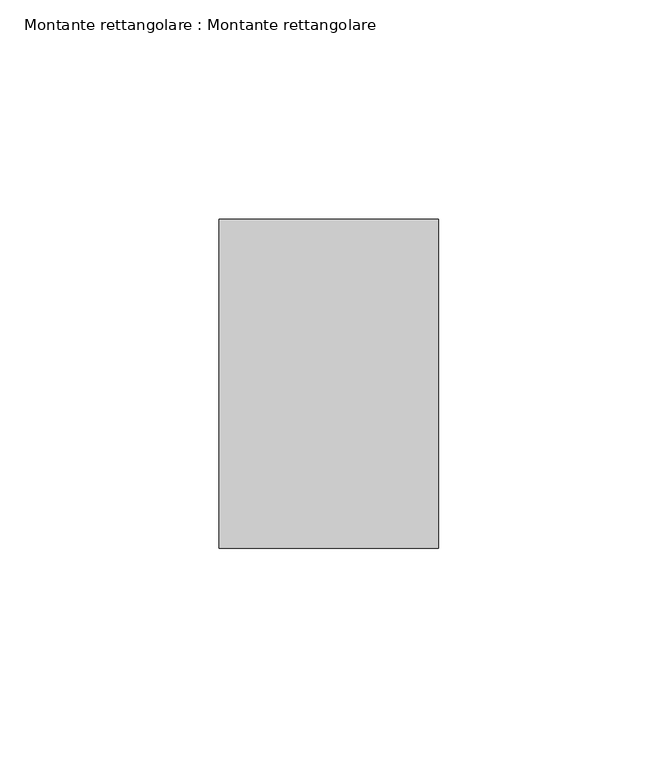
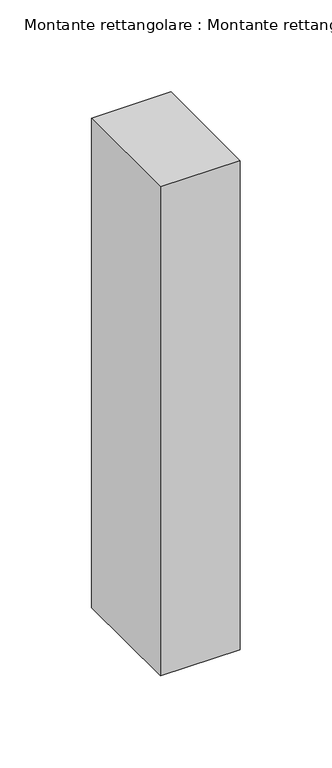
"""IFC4 building model written with IfcOpenShell, lengths in millimetres: member geometry, Montante rettangolare : Montante rettangolare."""

from ifc_helpers import new_model, si_unit, origin, place, context, project, spatial, faceted_brep, source, transform, mapped, element, save


def montante_rettangolare_montante_rettangolare_b0e8e461(model_context):
    return source(origin(), model_context, "Body", "Brep", [
        faceted_brep([(-50.0, 37.5, 0.0822962), (0.0, 37.5, 0.0822962), (0.0, 37.5, -325.182502), (-50.0, 37.5, -325.182502), (-50.0, -37.5, -0.0824168), (-50.0, -37.3901011, -325.0180303), (0.0, -37.5, -0.0824168), (0.0, -37.5, -325.017789)], [[[0, 1, 2, 3]], [[4, 0, 3, 5]], [[6, 4, 5, 7]], [[1, 6, 7, 2]], [[1, 0, 4, 6]], [[2, 7, 5, 3]]]),
    ])


if __name__ == "__main__":
    model = new_model("IFC4")
    model_context = context("Model", 3, world=origin())
    ifc_project = project(units=[si_unit("LENGTHUNIT", "METRE", prefix="MILLI")], contexts=[model_context])
    site = spatial("IfcSite", under=ifc_project)
    building = spatial("IfcBuilding", under=site)
    placement = place(None, origin())
    montante_rettangolare_montante_rettangolare_shape = montante_rettangolare_montante_rettangolare_b0e8e461(model_context)
    element("IfcMember", 1, ObjectType="Montante rettangolare : Montante rettangolare", at=placement, inside=building, context=model_context, shape_type="MappedRepresentation", body=[
        mapped(montante_rettangolare_montante_rettangolare_shape, transform((0.0, 0.0, 0.0), x_axis=(1.0, 0.0, 0.0), y_axis=(0.0, 1.0, 0.0), z_axis=(0.0, 0.0, 1.0))),
    ])
    save(model, "model.ifc")
